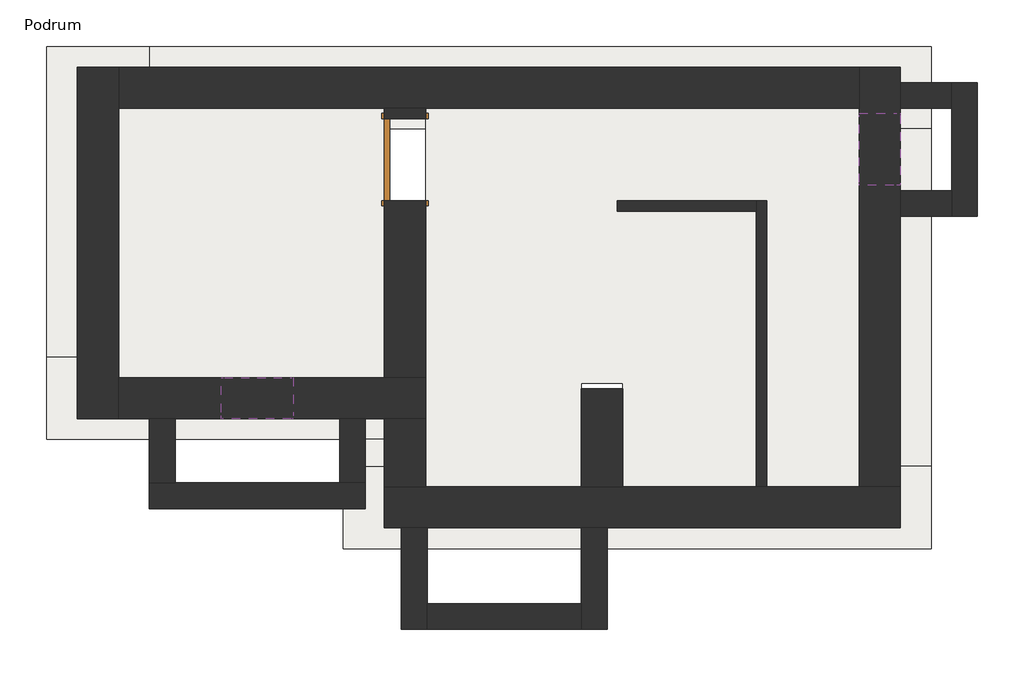
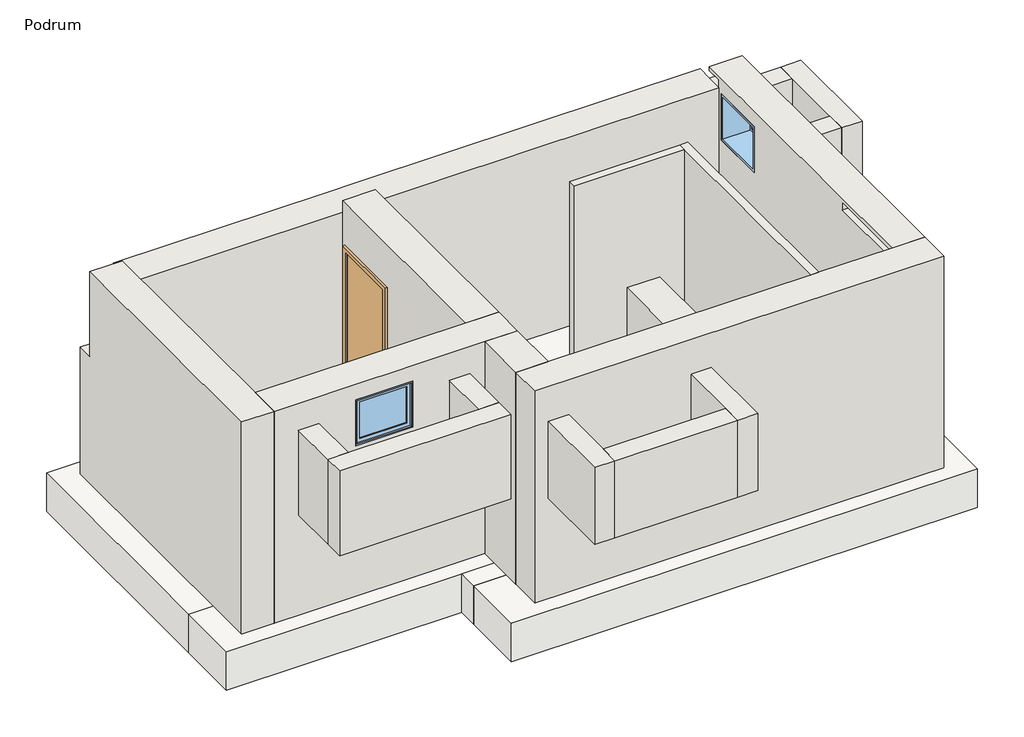
# One storey: 19 walls, 7 footings, 2 slabs, 2 windows, 1 door.
"""IFC4 building model written with IfcOpenShell, lengths in millimetres."""

import ifcopenshell
import ifcopenshell.guid

model = None  # the IFC model being written
_history = None  # IfcOwnerHistory: only IFC2X3 demands one
_inside = {}  # id of a spatial element -> (the spatial element, [elements in it])
_under = {}  # id of a project, library or spatial element -> (it, [spatial elements below it])
_declared = {}  # id of a project -> (the project, [libraries it declares])
_typed = {}  # id of a type object -> (the type object, [elements of that type])
_made_of = {}  # id of a material, layer set ... -> (it, [elements and type objects made of it])


def new_model(schema):
    """Start an empty IFC model of exactly this schema.

    Asked for "IFC4X3", IfcOpenShell would pick the latest addendum, in which some entities
    have other attributes; the version numbers below select the first issue.
    IFC2X3 requires an IfcOwnerHistory on every rooted entity: one is made here for all.
    """
    global model, _history
    if schema == "IFC4X3":
        model = ifcopenshell.file(schema_version=(4, 3, 0, 0))
    else:
        model = ifcopenshell.file(schema=schema)
    _inside.clear()
    _under.clear()
    _declared.clear()
    _typed.clear()
    _made_of.clear()
    _history = None
    if model.schema == "IFC2X3":
        org = make("IfcOrganization", Name="unknown")
        user = make(
            "IfcPersonAndOrganization",
            ThePerson=make("IfcPerson", FamilyName="unknown"),
            TheOrganization=org,
        )
        app = make(
            "IfcApplication",
            ApplicationDeveloper=org,
            Version="unknown",
            ApplicationFullName="unknown",
            ApplicationIdentifier="unknown",
        )
        _history = make(
            "IfcOwnerHistory",
            OwningUser=user,
            OwningApplication=app,
            ChangeAction="ADDED",
            CreationDate=0,
        )
    return model


def make(cls, **values):
    """One entity of the class cls with the attributes given. An attribute that is None is left unset."""
    return model.create_entity(
        cls, **{name: value for name, value in values.items() if value is not None}
    )


def rooted(cls, **values):
    """An entity with a GlobalId (a new one), such as an element, a storey or a relation."""
    return make(cls, GlobalId=ifcopenshell.guid.new(), OwnerHistory=_history, **values)


def si_unit(unit_type, name, prefix=None):
    """IfcSIUnit, for example si_unit("LENGTHUNIT", "METRE", prefix="MILLI")."""
    return make("IfcSIUnit", UnitType=unit_type, Prefix=prefix, Name=name)


def assignment(units):
    """IfcUnitAssignment: the units of a project."""
    return None if units is None else make("IfcUnitAssignment", Units=units)


def point(xyz):
    """IfcCartesianPoint."""
    return None if xyz is None else make("IfcCartesianPoint", Coordinates=xyz)


def direction(xyz):
    """IfcDirection."""
    return None if xyz is None else make("IfcDirection", DirectionRatios=xyz)


def frame(location, z_axis=None, x_axis=None):
    """IfcAxis2Placement3D, a coordinate frame: its origin and axes. An axis left out is left unset."""
    return make(
        "IfcAxis2Placement3D",
        Location=point(location),
        Axis=direction(z_axis),
        RefDirection=direction(x_axis),
    )


def origin():
    """The frame at (0, 0, 0) with its axes left unset."""
    return frame((0.0, 0.0, 0.0))


def origin_with_axes():
    """The frame at (0, 0, 0) with the z axis (0, 0, 1) and the x axis (1, 0, 0) written out."""
    return frame((0.0, 0.0, 0.0), z_axis=(0.0, 0.0, 1.0), x_axis=(1.0, 0.0, 0.0))


def place(relative_to, where):
    """IfcLocalPlacement: puts the frame where relative to a parent placement (None: the world)."""
    return make(
        "IfcLocalPlacement", PlacementRelTo=relative_to, RelativePlacement=where
    )


def context(
    kind, dimensions, precision=None, world=None, true_north=None, identifier=None
):
    """IfcGeometricRepresentationContext, for example the 3D "Model" context."""
    return make(
        "IfcGeometricRepresentationContext",
        ContextIdentifier=identifier,
        ContextType=kind,
        CoordinateSpaceDimension=dimensions,
        Precision=precision,
        WorldCoordinateSystem=world,
        TrueNorth=true_north,
    )


def project(units=None, contexts=None):
    """IfcProject with its units and contexts."""
    return rooted(
        "IfcProject",
        Name="project",
        RepresentationContexts=contexts,
        UnitsInContext=assignment(units),
    )


def spatial(cls, under=None, at=None, **own):
    """A site, building, storey or space (cls), placed at a placement, below another one or the project."""
    s = rooted(cls, ObjectPlacement=at, **own)
    if under is not None:
        _under.setdefault(under.id(), (under, []))[1].append(s)
    return s


def polyline(points):
    """IfcPolyline through the points."""
    return make("IfcPolyline", Points=[point(p) for p in points])


def outline(outer, holes=None, kind="AREA"):
    """IfcArbitraryClosedProfileDef: a profile drawn as a closed curve; with holes, ...WithVoids."""
    if holes is None:
        return make("IfcArbitraryClosedProfileDef", ProfileType=kind, OuterCurve=outer)
    return make(
        "IfcArbitraryProfileDefWithVoids",
        ProfileType=kind,
        OuterCurve=outer,
        InnerCurves=holes,
    )


def extrude(swept, where, along, depth):
    """IfcExtrudedAreaSolid: the profile swept, set in the frame where, extruded along a direction by depth."""
    return make(
        "IfcExtrudedAreaSolid",
        SweptArea=swept,
        Position=where,
        ExtrudedDirection=direction(along),
        Depth=depth,
    )


def faces_of(points, faces, orient=None, outer=None):
    """IfcFace entities. A face is a list of loops; a loop is a list of indices into points, from 0.

    orient and outer hold one flag for each loop. By default every Orientation is true, the
    first loop of a face is its IfcFaceOuterBound and the others are IfcFaceBound.
    """
    made = []
    for i, loops in enumerate(faces):
        bounds = []
        for j, loop in enumerate(loops):
            is_outer = j == 0 if outer is None else outer[i][j]
            bounds.append(
                make(
                    "IfcFaceOuterBound" if is_outer else "IfcFaceBound",
                    Bound=make("IfcPolyLoop", Polygon=[points[k] for k in loop]),
                    Orientation=True if orient is None else orient[i][j],
                )
            )
        made.append(make("IfcFace", Bounds=bounds))
    return made


def faceted_brep(points, faces, orient=None, outer=None, voids=None):
    """IfcFacetedBrep: a solid bounded by flat faces; with voids (closed shells), ...WithVoids."""
    shared = [point(p) for p in points]
    hull = make("IfcClosedShell", CfsFaces=faces_of(shared, faces, orient, outer))
    if voids is None:
        return make("IfcFacetedBrep", Outer=hull)
    return make(
        "IfcFacetedBrepWithVoids",
        Outer=hull,
        Voids=[
            make(cls, CfsFaces=faces_of(shared, fs, o, b)) for cls, fs, o, b in voids
        ],
    )


def shape(context_of_items, identifier, shape_type, items):
    """IfcShapeRepresentation: the items that make up one representation, for example the "Body"."""
    return make(
        "IfcShapeRepresentation",
        ContextOfItems=context_of_items,
        RepresentationIdentifier=identifier,
        RepresentationType=shape_type,
        Items=items,
    )


def source(mapping_origin, context_of_items, identifier, shape_type, items):
    """IfcRepresentationMap: a shape defined once, which mapped items show again and again."""
    return make(
        "IfcRepresentationMap",
        MappingOrigin=mapping_origin,
        MappedRepresentation=shape(context_of_items, identifier, shape_type, items),
    )


def transform(
    local_origin,
    x_axis=None,
    y_axis=None,
    z_axis=None,
    scale=None,
    scale2=None,
    scale3=None,
    uniform=True,
):
    """IfcCartesianTransformationOperator3D, or its non-uniform kind. x_axis, y_axis, z_axis: its Axis1, 2, 3."""
    if uniform:
        return make(
            "IfcCartesianTransformationOperator3D",
            Axis1=direction(x_axis),
            Axis2=direction(y_axis),
            LocalOrigin=point(local_origin),
            Scale=scale,
            Axis3=direction(z_axis),
        )
    return make(
        "IfcCartesianTransformationOperator3DnonUniform",
        Axis1=direction(x_axis),
        Axis2=direction(y_axis),
        LocalOrigin=point(local_origin),
        Scale=scale,
        Axis3=direction(z_axis),
        Scale2=scale2,
        Scale3=scale3,
    )


def mapped(mapping_source, mapping_target):
    """IfcMappedItem: shows the shape of a source again, moved by a transform."""
    return make(
        "IfcMappedItem", MappingSource=mapping_source, MappingTarget=mapping_target
    )


def made_of(thing, what):
    """Note that an element or type object is made of a material, layer set ...; save() writes the relation."""
    if what is not None:
        _made_of.setdefault(what.id(), (what, []))[1].append(thing)
    return thing


def element(
    cls,
    number,
    at=None,
    inside=None,
    cuts=None,
    type_object=None,
    material=None,
    context=None,
    identifier="Body",
    shape_type=None,
    held_by="IfcProductDefinitionShape",
    body=None,
    shapes=None,
    **own,
):
    """One element of the class cls, such as IfcWall. Its Tag is "e" and its number.

    at: its placement. inside: the storey or other place that contains it. cuts: it is an
    opening in that element (IfcRelVoidsElement). A single representation is given by context,
    identifier, shape_type and body (its items); several are given by shapes. held_by: the class
    of the entity that holds the representations. save() writes the other relations.
    """
    e = rooted(cls, Tag="e%d" % number, ObjectPlacement=at, **own)
    if body is not None:
        shapes = [shape(context, identifier, shape_type, body)]
    if shapes is not None:
        e.Representation = make(held_by, Representations=shapes)
    if inside is not None:
        _inside.setdefault(inside.id(), (inside, []))[1].append(e)
    if cuts is not None:
        rooted(
            "IfcRelVoidsElement", RelatingBuildingElement=cuts, RelatedOpeningElement=e
        )
    if type_object is not None:
        _typed.setdefault(type_object.id(), (type_object, []))[1].append(e)
    return made_of(e, material)


def aggregate(whole, parts):
    """IfcRelAggregates: a whole, such as a stair, and the parts it consists of."""
    return rooted("IfcRelAggregates", RelatingObject=whole, RelatedObjects=parts)


def save(model, path):
    """Write the relations noted so far, then the file.

    IfcRelAggregates (storeys below a building ...), IfcRelContainedInSpatialStructure (elements
    in a storey), IfcRelDefinesByType, IfcRelAssociatesMaterial and IfcRelDeclares: one each for
    every whole, place, type object, material and project.
    """
    for whole, parts in _under.values():
        aggregate(whole, parts)
    for where, things in _inside.values():
        rooted(
            "IfcRelContainedInSpatialStructure",
            RelatedElements=things,
            RelatingStructure=where,
        )
    for kind, things in _typed.values():
        rooted("IfcRelDefinesByType", RelatedObjects=things, RelatingType=kind)
    for what, things in _made_of.values():
        rooted("IfcRelAssociatesMaterial", RelatedObjects=things, RelatingMaterial=what)
    for by, libraries in _declared.values():
        rooted("IfcRelDeclares", RelatingContext=by, RelatedDefinitions=libraries)
    model.write(path)


def single_flush_80_x_200_528ca496(model_context):
    return source(origin(), model_context, "Body", "SweptSolid", [
        extrude(outline(polyline([(2050.0, -450.0), (0.0, -450.0), (0.0, -400.0), (2000.0, -400.0), (2000.0, 400.0), (0.0, 400.0), (0.0, 450.0), (2050.0, 450.0), (2050.0, -450.0)])), frame((0.0, 200.0, 0.0), z_axis=(0.0, 1.0, 0.0), x_axis=(0.0, 0.0, 1.0)), (0.0, 0.0, 1.0), 25.4),
        extrude(outline(polyline([(2050.0, 450.0), (2050.0, -450.0), (0.0, -450.0), (0.0, -400.0), (2000.0, -400.0), (2000.0, 400.0), (0.0, 400.0), (0.0, 450.0), (2050.0, 450.0)])), frame((0.0, -225.4, 0.0), z_axis=(0.0, 1.0, 0.0), x_axis=(0.0, 0.0, 1.0)), (0.0, 0.0, 1.0), 25.4),
        extrude(outline(polyline([(400.0, 150.0), (-400.0, 150.0), (-400.0, 200.0), (400.0, 200.0), (400.0, 150.0)])), origin_with_axes(), (0.0, 0.0, 1.0), 2000.0),
    ])


def fixed_60_x_70_e52bd949(model_context):
    return source(origin(), model_context, "Body", "SweptSolid", [
        extrude(outline(polyline([(248.4, -151.425), (248.4, -164.125), (-324.6, -164.125), (-324.6, -151.425), (248.4, -151.425)])), frame((0.0, 0.0, 763.5), z_axis=(0.0, 0.0, 1.0), x_axis=(1.0, 0.0, 0.0)), (0.0, 0.0, 1.0), 473.0),
        extrude(outline(polyline([(1280.95, -369.05), (719.05, -369.05), (719.05, 292.85), (1280.95, 292.85), (1280.95, -369.05)]), holes=[polyline([(1236.5, -324.6), (1236.5, 248.4), (763.5, 248.4), (763.5, -324.6), (1236.5, -324.6)])]), frame((0.0, -180.0, 0.0), z_axis=(0.0, 1.0, 0.0), x_axis=(0.0, 0.0, 1.0)), (0.0, 0.0, 1.0), 44.45),
        extrude(outline(polyline([(1300.0, -388.1), (700.0, -388.1), (700.0, 311.9), (1300.0, 311.9), (1300.0, -388.1)]), holes=[polyline([(1268.25, -356.35), (1268.25, 280.15), (731.75, 280.15), (731.75, -356.35), (1268.25, -356.35)])]), frame((0.0, -135.55, 0.0), z_axis=(0.0, 1.0, 0.0), x_axis=(0.0, 0.0, 1.0)), (0.0, 0.0, 1.0), 335.55),
        extrude(outline(polyline([(1300.0, 311.9), (1300.0, -388.1), (700.0, -388.1), (700.0, 311.9), (1300.0, 311.9)]), holes=[polyline([(1280.95, 292.85), (719.05, 292.85), (719.05, -369.05), (1280.95, -369.05), (1280.95, 292.85)])]), frame((0.0, -200.0, 0.0), z_axis=(0.0, 1.0, 0.0), x_axis=(0.0, 0.0, 1.0)), (0.0, 0.0, 1.0), 64.45),
    ])


def fixed_60_x_70_818b0f42(model_context):
    return source(origin(), model_context, "Body", "SweptSolid", [
        extrude(outline(polyline([(248.4, 151.425), (-324.6, 151.425), (-324.6, 164.125), (248.4, 164.125), (248.4, 151.425)])), frame((0.0, 0.0, 763.5), z_axis=(0.0, 0.0, 1.0), x_axis=(1.0, 0.0, 0.0)), (0.0, 0.0, 1.0), 473.0),
        extrude(outline(polyline([(1280.95, -369.05), (719.05, -369.05), (719.05, 292.85), (1280.95, 292.85), (1280.95, -369.05)]), holes=[polyline([(1236.5, -324.6), (1236.5, 248.4), (763.5, 248.4), (763.5, -324.6), (1236.5, -324.6)])]), frame((0.0, 135.55, 0.0), z_axis=(0.0, 1.0, 0.0), x_axis=(0.0, 0.0, 1.0)), (0.0, 0.0, 1.0), 44.45),
        extrude(outline(polyline([(1300.0, -388.1), (700.0, -388.1), (700.0, 311.9), (1300.0, 311.9), (1300.0, -388.1)]), holes=[polyline([(1268.25, -356.35), (1268.25, 280.15), (731.75, 280.15), (731.75, -356.35), (1268.25, -356.35)])]), frame((0.0, -200.0, 0.0), z_axis=(0.0, 1.0, 0.0), x_axis=(0.0, 0.0, 1.0)), (0.0, 0.0, 1.0), 335.55),
        extrude(outline(polyline([(1300.0, 311.9), (1300.0, -388.1), (700.0, -388.1), (700.0, 311.9), (1300.0, 311.9)]), holes=[polyline([(1280.95, 292.85), (719.05, 292.85), (719.05, -369.05), (1280.95, -369.05), (1280.95, 292.85)])]), frame((0.0, 135.55, 0.0), z_axis=(0.0, 1.0, 0.0), x_axis=(0.0, 0.0, 1.0)), (0.0, 0.0, 1.0), 64.45),
    ])


model = new_model("IFC4")

# Units and contexts
model_context = context("Model", 3, world=origin())
ifc_project = project(units=[si_unit("LENGTHUNIT", "METRE", prefix="MILLI")], contexts=[model_context])

# Site, building, storey
site = spatial("IfcSite", under=ifc_project)
building = spatial("IfcBuilding", under=site)
storey = spatial("IfcBuildingStorey", under=building, Name="Podrum", Elevation=-2600.0)

# Door
placement = place(None, origin())
single_flush_80_x_200_shape = single_flush_80_x_200_528ca496(model_context)
element("IfcDoor", 1, ObjectType="Single-Flush : 80 x 200", at=placement, inside=storey, context=model_context, shape_type="MappedRepresentation", body=[
    mapped(single_flush_80_x_200_shape, transform((-12993.5733339, 10418.3783101, -2600.0), x_axis=(0.0, 1.0, 0.0), y_axis=(-1.0, 0.0, 0.0), z_axis=(0.0, 0.0, 1.0))),
])

# Footings
element("IfcFooting", 2, ObjectType="Temelj 100", at=placement, inside=storey, context=model_context, shape_type="Brep", body=[
    faceted_brep([(-15478.5733339, 11518.3783101, -2750.0), (-16478.5733339, 11518.3783101, -2750.0), (-16478.5733339, 8498.3783101, -2750.0), (-15478.5733339, 8498.3783101, -2750.0), (-15478.5733339, 10718.3783101, -2750.0), (-15478.5733339, 11518.3783101, -3250.0), (-15478.5733339, 8498.3783101, -3250.0), (-15478.5733339, 10718.3783101, -3250.0), (-16478.5733339, 11518.3783101, -3250.0), (-16478.5733339, 8498.3783101, -3250.0)], [[[0, 1, 2, 3, 4]], [[5, 0, 4, 3, 6, 7]], [[8, 5, 7, 6, 9]], [[1, 8, 9, 2]], [[3, 2, 9, 6]], [[1, 0, 5, 8]]]),
])
element("IfcFooting", 3, ObjectType="Temelj 100", at=placement, inside=storey, context=model_context, shape_type="SweptSolid", body=[
    extrude(outline(polyline([(-7878.5733339, 7438.3783101), (-8878.5733339, 7438.3783101), (-8878.5733339, 10718.3783101), (-7878.5733339, 10718.3783101), (-7878.5733339, 7438.3783101)])), frame((0.0, 0.0, -3250.0), z_axis=(0.0, 0.0, 1.0), x_axis=(1.0, 0.0, 0.0)), (0.0, 0.0, 1.0), 500.0),
])
element("IfcFooting", 4, ObjectType="Temelj 120", at=placement, inside=storey, context=model_context, shape_type="SweptSolid", body=[
    extrude(outline(polyline([(-13593.5733339, 7698.3783101), (-12393.5733339, 7698.3783101), (-12393.5733339, 7438.3783101), (-13593.5733339, 7438.3783101), (-13593.5733339, 7698.3783101)])), frame((0.0, 0.0, -3250.0), z_axis=(0.0, 0.0, 1.0), x_axis=(1.0, 0.0, 0.0)), (0.0, 0.0, 1.0), 500.0),
])
element("IfcFooting", 5, ObjectType="Temelj 60", at=placement, inside=storey, context=model_context, shape_type="SweptSolid", body=[
    extrude(outline(polyline([(-11378.5733339, 8193.1783101), (-10778.5733339, 8193.1783101), (-10778.5733339, 7438.3783101), (-11378.5733339, 7438.3783101), (-11378.5733339, 8193.1783101)])), frame((0.0, 0.0, -3250.0), z_axis=(0.0, 0.0, 1.0), x_axis=(1.0, 0.0, 0.0)), (0.0, 0.0, 1.0), 500.0),
])
element("IfcFooting", 6, ObjectType="Temelj 80", at=placement, inside=storey, context=model_context, shape_type="Brep", body=[
    faceted_brep([(-16478.5733339, 7698.3783101, -2750.0), (-13593.5733339, 7698.3783101, -2750.0), (-12393.5733339, 7698.3783101, -2750.0), (-12393.5733339, 8498.3783101, -2750.0), (-15478.5733339, 8498.3783101, -2750.0), (-16478.5733339, 8498.3783101, -2750.0), (-16478.5733339, 8498.3783101, -3250.0), (-12393.5733339, 8498.3783101, -3250.0), (-15478.5733339, 8498.3783101, -3250.0), (-16478.5733339, 7698.3783101, -3250.0), (-12393.5733339, 7698.3783101, -3250.0), (-13593.5733339, 7698.3783101, -3250.0)], [[[0, 1, 2, 3, 4, 5]], [[6, 5, 4, 3, 7, 8]], [[9, 6, 8, 7, 10, 11]], [[0, 9, 11, 10, 2, 1]], [[0, 5, 6, 9]], [[3, 2, 10, 7]]]),
])
element("IfcFooting", 7, ObjectType="Temelj 80", at=placement, inside=storey, context=model_context, shape_type="Brep", body=[
    faceted_brep([(-7878.5733339, 10718.3783101, -2750.0), (-7878.5733339, 11518.3783101, -2750.0), (-15478.5733339, 11518.3783101, -2750.0), (-15478.5733339, 10718.3783101, -2750.0), (-8878.5733339, 10718.3783101, -2750.0), (-7878.5733339, 11518.3783101, -3250.0), (-15478.5733339, 11518.3783101, -3250.0), (-7878.5733339, 10718.3783101, -3250.0), (-8878.5733339, 10718.3783101, -3250.0), (-15478.5733339, 10718.3783101, -3250.0)], [[[0, 1, 2, 3, 4]], [[1, 5, 6, 2]], [[5, 7, 8, 9, 6]], [[7, 0, 4, 3, 9, 8]], [[1, 0, 7, 5]], [[3, 2, 6, 9]]]),
])
element("IfcFooting", 8, ObjectType="Temelj 80", at=placement, inside=storey, context=model_context, shape_type="Brep", body=[
    faceted_brep([(-7878.5733339, 7438.3783101, -2750.0), (-8878.5733339, 7438.3783101, -2750.0), (-10778.5733339, 7438.3783101, -2750.0), (-11378.5733339, 7438.3783101, -2750.0), (-12393.5733339, 7438.3783101, -2750.0), (-13593.5733339, 7438.3783101, -2750.0), (-13593.5733339, 6638.3783101, -2750.0), (-7878.5733339, 6638.3783101, -2750.0), (-7878.5733339, 6638.3783101, -3250.0), (-13593.5733339, 6638.3783101, -3250.0), (-7878.5733339, 7438.3783101, -3250.0), (-13593.5733339, 7438.3783101, -3250.0), (-12393.5733339, 7438.3783101, -3250.0), (-11378.5733339, 7438.3783101, -3250.0), (-10778.5733339, 7438.3783101, -3250.0), (-8878.5733339, 7438.3783101, -3250.0)], [[[0, 1, 2, 3, 4, 5, 6, 7]], [[8, 7, 6, 9]], [[10, 8, 9, 11, 12, 13, 14, 15]], [[0, 10, 15, 14, 13, 12, 11, 5, 4, 3, 2, 1]], [[6, 5, 11, 9]], [[0, 7, 8, 10]]]),
])

# Slabs
element("IfcSlab", 9, at=placement, inside=storey, context=model_context, shape_type="SweptSolid", body=[
    extrude(outline(polyline([(-13179.4311982, 10918.3783101), (-13179.4311982, 8298.3783101), (-15778.5733339, 8298.3783101), (-15778.5733339, 10918.3783101), (-13179.4311982, 10918.3783101)])), frame((0.0, 0.0, -2750.0), z_axis=(0.0, 0.0, 1.0), x_axis=(1.0, 0.0, 0.0)), (0.0, 0.0, 1.0), 150.0),
])
element("IfcSlab", 10, at=placement, inside=storey, context=model_context, shape_type="SweptSolid", body=[
    extrude(outline(polyline([(-8578.5733339, 10918.3783101), (-8578.5733339, 7238.3783101), (-10878.5733339, 7238.3783101), (-10878.5733339, 8243.1783101), (-11278.5733339, 8243.1783101), (-11278.5733339, 7238.3783101), (-12793.5733339, 7238.3783101), (-12793.5733339, 10918.3783101), (-8578.5733339, 10918.3783101)])), frame((0.0, 0.0, -2700.0), z_axis=(0.0, 0.0, 1.0), x_axis=(1.0, 0.0, 0.0)), (0.0, 0.0, 1.0), 100.0),
])

# Walls
element("IfcWall", 11, at=placement, inside=storey, context=model_context, shape_type="Brep", body=[
    faceted_brep([(-8178.5733339, 7238.3783101, -2750.0), (-8578.5733339, 7238.3783101, -2750.0), (-10878.5733339, 7238.3783101, -2750.0), (-11278.5733339, 7238.3783101, -2750.0), (-12793.5733339, 7238.3783101, -2750.0), (-13193.5733339, 7238.3783101, -2750.0), (-13193.5733339, 7238.3783101, 0.0), (-12793.5733339, 7238.3783101, 0.0), (-9578.5733339, 7238.3783101, 0.0), (-9478.5733339, 7238.3783101, 0.0), (-8578.5733339, 7238.3783101, 0.0), (-8178.5733339, 7238.3783101, 0.0), (-12793.5733339, 7238.3783101, -150.0), (-11278.5733339, 7238.3783101, -150.0), (-10878.5733339, 7238.3783101, -150.0), (-8578.5733339, 7238.3783101, -150.0), (-8378.5733339, 7238.3783101, -150.0), (-8378.5733339, 7238.3783101, -50.0), (-8578.5733339, 7238.3783101, -50.0), (-12793.5733339, 7238.3783101, -50.0), (-13193.5733339, 6838.3783101, -2750.0), (-8178.5733339, 6838.3783101, -2750.0), (-8178.5733339, 6838.3783101, 0.0), (-13193.5733339, 6838.3783101, 0.0), (-12793.5733339, 6988.3783101, -150.0), (-8378.5733339, 6988.3783101, -150.0), (-8378.5733339, 6988.3783101, -50.0), (-12793.5733339, 6988.3783101, -50.0)], [[[0, 1, 2, 3, 4, 5, 6, 7, 8, 9, 10, 11], [12, 13, 14, 15, 16, 17, 18, 19]], [[20, 21, 22, 23]], [[5, 4, 3, 2, 1, 0, 21, 20]], [[11, 10, 9, 8, 7, 6, 23, 22]], [[0, 11, 22, 21]], [[5, 20, 23, 6]], [[24, 25, 16, 15, 14, 13, 12]], [[26, 27, 19, 18, 17]], [[25, 24, 27, 26]], [[25, 26, 17, 16]], [[27, 24, 12, 19]]]),
])
element("IfcWall", 12, at=placement, inside=storey, context=model_context, shape_type="SweptSolid", body=[
    extrude(outline(polyline([(-15478.5733339, 7276.5783101), (-15478.5733339, 7898.3783101), (-15228.5733339, 7898.3783101), (-15228.5733339, 7276.5783101), (-15478.5733339, 7276.5783101)])), frame((0.0, 0.0, -1450.0), z_axis=(0.0, 0.0, 1.0), x_axis=(1.0, 0.0, 0.0)), (0.0, 0.0, 1.0), 1100.0),
])
element("IfcWall", 13, at=placement, inside=storey, context=model_context, shape_type="Brep", body=[
    faceted_brep([(-15478.5733339, 7026.5783101, -1450.0), (-13378.5733339, 7026.5783101, -1450.0), (-13378.5733339, 7026.5783101, -350.0), (-15478.5733339, 7026.5783101, -350.0), (-15478.5733339, 7276.5783101, -1450.0), (-15478.5733339, 7276.5783101, -350.0), (-15228.5733339, 7276.5783101, -350.0), (-13628.5733339, 7276.5783101, -350.0), (-13378.5733339, 7276.5783101, -350.0), (-13378.5733339, 7276.5783101, -1450.0), (-13628.5733339, 7276.5783101, -1450.0), (-15228.5733339, 7276.5783101, -1450.0)], [[[0, 1, 2, 3]], [[4, 5, 6, 7, 8, 9, 10, 11]], [[1, 0, 4, 11, 10, 9]], [[3, 2, 8, 7, 6, 5]], [[2, 1, 9, 8]], [[0, 3, 5, 4]]]),
])
element("IfcWall", 14, at=placement, inside=storey, context=model_context, shape_type="SweptSolid", body=[
    extrude(outline(polyline([(-13378.5733339, 7898.3783101), (-13378.5733339, 7276.5783101), (-13628.5733339, 7276.5783101), (-13628.5733339, 7898.3783101), (-13378.5733339, 7898.3783101)])), frame((0.0, 0.0, -1450.0), z_axis=(0.0, 0.0, 1.0), x_axis=(1.0, 0.0, 0.0)), (0.0, 0.0, 1.0), 1100.0),
])
element("IfcWall", 15, at=placement, inside=storey, context=model_context, shape_type="Brep", body=[
    faceted_brep([(-15778.5733339, 10918.3783101, -150.0), (-15778.5733339, 10918.3783101, -2750.0), (-8578.5733339, 10918.3783101, -2750.0), (-8578.5733339, 10918.3783101, -150.0), (-10878.5733339, 10918.3783101, -150.0), (-15778.5733339, 11318.3783101, -2750.0), (-15778.5733339, 11318.3783101, -1100.0), (-15778.5733339, 11318.3783101, -150.0), (-13178.5733339, 11318.3783101, -150.0), (-12778.5733339, 11318.3783101, -150.0), (-8578.5733339, 11318.3783101, -150.0), (-8578.5733339, 11318.3783101, -1100.0), (-8578.5733339, 11318.3783101, -2750.0), (-15778.5733339, 11118.3783101, -150.0), (-8578.5733339, 11118.3783101, -150.0)], [[[0, 1, 2, 3, 4]], [[5, 6, 7, 8, 9, 10, 11, 12]], [[2, 1, 5, 12]], [[0, 13, 7, 6, 5, 1]], [[0, 4, 3, 14, 10, 9, 8, 7, 13]], [[2, 12, 11, 10, 14, 3]]]),
])
element("IfcWall", 16, at=placement, inside=storey, context=model_context, shape_type="Brep", body=[
    faceted_brep([(-11278.5733339, 6838.3783101, -1450.0), (-11278.5733339, 6101.5783101, -1450.0), (-11278.5733339, 5851.5783101, -1450.0), (-11278.5733339, 5851.5783101, -450.0), (-11278.5733339, 6101.5783101, -450.0), (-11278.5733339, 6838.3783101, -450.0), (-11028.5733339, 6838.3783101, -1450.0), (-11028.5733339, 6838.3783101, -450.0), (-11028.5733339, 5851.5783101, -450.0), (-11028.5733339, 5851.5783101, -1450.0)], [[[0, 1, 2, 3, 4, 5]], [[6, 7, 8, 9]], [[2, 1, 0, 6, 9]], [[5, 4, 3, 8, 7]], [[0, 5, 7, 6]], [[3, 2, 9, 8]]]),
])
element("IfcWall", 17, at=placement, inside=storey, context=model_context, shape_type="SweptSolid", body=[
    extrude(outline(polyline([(-12778.5733339, 6101.5783101), (-11278.5733339, 6101.5783101), (-11278.5733339, 5851.5783101), (-12778.5733339, 5851.5783101), (-12778.5733339, 6101.5783101)])), frame((0.0, 0.0, -1450.0), z_axis=(0.0, 0.0, 1.0), x_axis=(1.0, 0.0, 0.0)), (0.0, 0.0, 1.0), 1000.0),
])
element("IfcWall", 18, at=placement, inside=storey, context=model_context, shape_type="Brep", body=[
    faceted_brep([(-12778.5733339, 5851.5783101, -1450.0), (-12778.5733339, 6101.5783101, -1450.0), (-12778.5733339, 6838.3783101, -1450.0), (-12778.5733339, 6838.3783101, -450.0), (-12778.5733339, 6101.5783101, -450.0), (-12778.5733339, 5851.5783101, -450.0), (-13028.5733339, 5851.5783101, -1450.0), (-13028.5733339, 5851.5783101, -450.0), (-13028.5733339, 6838.3783101, -450.0), (-13028.5733339, 6838.3783101, -1450.0)], [[[0, 1, 2, 3, 4, 5]], [[6, 7, 8, 9]], [[2, 1, 0, 6, 9]], [[5, 4, 3, 8, 7]], [[0, 5, 7, 6]], [[3, 2, 9, 8]]]),
])
element("IfcWall", 19, at=placement, inside=storey, context=model_context, shape_type="Brep", body=[
    faceted_brep([(-16178.5733339, 11318.3783101, -2750.0), (-16178.5733339, 7898.3783101, -2750.0), (-16178.5733339, 7898.3783101, 0.0), (-16178.5733339, 11118.3783101, 0.0), (-16178.5733339, 11118.3783101, -1100.0), (-16178.5733339, 11318.3783101, -1100.0), (-15778.5733339, 7898.3783101, -2750.0), (-15778.5733339, 8298.3783101, -2750.0), (-15778.5733339, 10918.3783101, -2750.0), (-15778.5733339, 11318.3783101, -2750.0), (-15778.5733339, 11318.3783101, -1100.0), (-15778.5733339, 11118.3783101, -1100.0), (-15778.5733339, 11118.3783101, -150.0), (-15778.5733339, 10918.3783101, -150.0), (-15778.5733339, 8298.3783101, -150.0), (-15778.5733339, 8048.3783101, -150.0), (-15778.5733339, 8048.3783101, -50.0), (-15778.5733339, 8298.3783101, -50.0), (-15778.5733339, 11118.3783101, -50.0), (-15778.5733339, 11118.3783101, 0.0), (-15778.5733339, 8298.3783101, 0.0), (-15778.5733339, 7898.3783101, 0.0), (-16038.5733339, 11118.3783101, -150.0), (-16038.5733339, 8048.3783101, -150.0), (-16038.5733339, 8048.3783101, -50.0), (-16038.5733339, 11118.3783101, -50.0)], [[[0, 1, 2, 3, 4, 5]], [[6, 7, 8, 9, 10, 11, 12, 13, 14, 15, 16, 17, 18, 19, 20, 21]], [[1, 0, 9, 8, 7, 6]], [[3, 2, 21, 20, 19]], [[2, 1, 6, 21]], [[4, 11, 10, 5]], [[9, 0, 5, 10]], [[22, 23, 15, 14, 13, 12]], [[16, 24, 25, 18, 17]], [[23, 24, 16, 15]], [[24, 23, 22, 25]], [[3, 19, 18, 25, 22, 12, 11, 4]]]),
])
element("IfcWall", 20, at=placement, inside=storey, context=model_context, shape_type="Brep", body=[
    faceted_brep([(-15778.5733339, 7898.3783101, -2750.0), (-13193.5733339, 7898.3783101, -2750.0), (-12793.5733339, 7898.3783101, -2750.0), (-12793.5733339, 7898.3783101, 0.0), (-13193.5733339, 7898.3783101, 0.0), (-15778.5733339, 7898.3783101, 0.0), (-14778.5733339, 7898.3783101, -800.0), (-14778.5733339, 7898.3783101, -200.0), (-14078.5733339, 7898.3783101, -200.0), (-14078.5733339, 7898.3783101, -800.0), (-12793.5733339, 8298.3783101, -2750.0), (-15778.5733339, 8298.3783101, -2750.0), (-15778.5733339, 8298.3783101, -150.0), (-12793.5733339, 8298.3783101, -150.0), (-12793.5733339, 8298.3783101, -2600.0), (-14778.5733339, 8298.3783101, -200.0), (-14778.5733339, 8298.3783101, -800.0), (-14078.5733339, 8298.3783101, -800.0), (-14078.5733339, 8298.3783101, -200.0), (-15778.5733339, 8298.3783101, 0.0), (-13193.5733339, 8298.3783101, 0.0), (-12793.5733339, 8298.3783101, 0.0), (-12793.5733339, 8298.3783101, -50.0), (-15778.5733339, 8298.3783101, -50.0), (-15778.5733339, 8048.3783101, -50.0), (-15778.5733339, 8048.3783101, -150.0), (-12793.5733339, 8048.3783101, -150.0), (-12793.5733339, 8048.3783101, -50.0)], [[[0, 1, 2, 3, 4, 5], [6, 7, 8, 9]], [[10, 11, 12, 13, 14], [15, 16, 17, 18]], [[19, 20, 21, 22, 23]], [[2, 1, 0, 11, 10]], [[5, 4, 3, 21, 20, 19]], [[0, 5, 19, 23, 24, 25, 12, 11]], [[25, 26, 13, 12]], [[27, 24, 23, 22]], [[26, 25, 24, 27]], [[2, 10, 14, 13, 26, 27, 22, 21, 3]], [[16, 15, 7, 6]], [[17, 16, 6, 9]], [[18, 17, 9, 8]], [[15, 18, 8, 7]]]),
])
element("IfcWall", 21, at=placement, inside=storey, context=model_context, shape_type="SweptSolid", body=[
    extrude(outline(polyline([(-13193.5733339, 7238.3783101), (-13193.5733339, 7898.3783101), (-12793.5733339, 7898.3783101), (-12793.5733339, 7238.3783101), (-13193.5733339, 7238.3783101)])), frame((0.0, 0.0, -2750.0), z_axis=(0.0, 0.0, 1.0), x_axis=(1.0, 0.0, 0.0)), (0.0, 0.0, 1.0), 2750.0),
])
element("IfcWall", 22, at=placement, inside=storey, context=model_context, shape_type="Brep", body=[
    faceted_brep([(-8578.5733339, 11318.3783101, -2750.0), (-8578.5733339, 10918.3783101, -2750.0), (-8578.5733339, 7238.3783101, -2750.0), (-8578.5733339, 7238.3783101, -150.0), (-8578.5733339, 8298.3783101, -150.0), (-8578.5733339, 8298.3783101, -50.0), (-8578.5733339, 7238.3783101, -50.0), (-8578.5733339, 7238.3783101, 0.0), (-8578.5733339, 11118.3783101, 0.0), (-8578.5733339, 11118.3783101, -50.0), (-8578.5733339, 10918.3783101, -50.0), (-8578.5733339, 10918.3783101, -150.0), (-8578.5733339, 11118.3783101, -150.0), (-8578.5733339, 11118.3783101, -1100.0), (-8578.5733339, 11318.3783101, -1100.0), (-8578.5733339, 10868.3783101, -800.0), (-8578.5733339, 10868.3783101, -200.0), (-8578.5733339, 10168.3783101, -200.0), (-8578.5733339, 10168.3783101, -800.0), (-8178.5733339, 7238.3783101, -2750.0), (-8178.5733339, 11318.3783101, -2750.0), (-8178.5733339, 11318.3783101, -1100.0), (-8178.5733339, 11118.3783101, -1100.0), (-8178.5733339, 11118.3783101, 0.0), (-8178.5733339, 7238.3783101, 0.0), (-8178.5733339, 10868.3783101, -200.0), (-8178.5733339, 10868.3783101, -800.0), (-8178.5733339, 10168.3783101, -800.0), (-8178.5733339, 10168.3783101, -200.0), (-8378.5733339, 7238.3783101, -50.0), (-8378.5733339, 7238.3783101, -150.0), (-8328.5733339, 11118.3783101, -150.0), (-8328.5733339, 11118.3783101, -50.0), (-8328.5733339, 10918.3783101, -150.0), (-8378.5733339, 8298.3783101, -150.0), (-8328.5733339, 10918.3783101, -50.0), (-8378.5733339, 8298.3783101, -50.0)], [[[0, 1, 2, 3, 4, 5, 6, 7, 8, 9, 10, 11, 12, 13, 14], [15, 16, 17, 18]], [[19, 20, 21, 22, 23, 24], [25, 26, 27, 28]], [[2, 1, 0, 20, 19]], [[8, 7, 24, 23]], [[2, 19, 24, 7, 6, 29, 30, 3]], [[13, 22, 21, 14]], [[8, 23, 22, 13, 12, 31, 32, 9]], [[0, 14, 21, 20]], [[11, 33, 31, 12]], [[30, 34, 4, 3]], [[32, 35, 10, 9]], [[5, 36, 29, 6]], [[33, 35, 32, 31]], [[35, 33, 11, 10]], [[34, 36, 5, 4]], [[36, 34, 30, 29]], [[26, 25, 16, 15]], [[27, 26, 15, 18]], [[28, 27, 18, 17]], [[25, 28, 17, 16]]]),
])
element("IfcWall", 23, at=placement, inside=storey, context=model_context, shape_type="SweptSolid", body=[
    extrude(outline(polyline([(-11278.5733339, 7238.3783101), (-11278.5733339, 8193.1783101), (-10878.5733339, 8193.1783101), (-10878.5733339, 7238.3783101), (-11278.5733339, 7238.3783101)])), frame((0.0, 0.0, -2750.0), z_axis=(0.0, 0.0, 1.0), x_axis=(1.0, 0.0, 0.0)), (0.0, 0.0, 1.0), 2600.0),
])
element("IfcWall", 24, at=placement, inside=storey, context=model_context, shape_type="SweptSolid", body=[
    extrude(outline(polyline([(-7678.5733339, 9868.3783101), (-8178.5733339, 9868.3783101), (-8178.5733339, 10118.3783101), (-7678.5733339, 10118.3783101), (-7678.5733339, 9868.3783101)])), frame((0.0, 0.0, -1450.0), z_axis=(0.0, 0.0, 1.0), x_axis=(1.0, 0.0, 0.0)), (0.0, 0.0, 1.0), 1100.0),
])
element("IfcWall", 25, at=placement, inside=storey, context=model_context, shape_type="Brep", body=[
    faceted_brep([(-7428.5733339, 9868.3783101, -1450.0), (-7428.5733339, 11168.3783101, -1450.0), (-7428.5733339, 11168.3783101, -350.0), (-7428.5733339, 9868.3783101, -350.0), (-7678.5733339, 9868.3783101, -1450.0), (-7678.5733339, 9868.3783101, -350.0), (-7678.5733339, 10118.3783101, -350.0), (-7678.5733339, 10918.3783101, -350.0), (-7678.5733339, 11168.3783101, -350.0), (-7678.5733339, 11168.3783101, -1450.0), (-7678.5733339, 10918.3783101, -1450.0), (-7678.5733339, 10118.3783101, -1450.0)], [[[0, 1, 2, 3]], [[4, 5, 6, 7, 8, 9, 10, 11]], [[1, 0, 4, 11, 10, 9]], [[3, 2, 8, 7, 6, 5]], [[0, 3, 5, 4]], [[2, 1, 9, 8]]]),
])
element("IfcWall", 26, at=placement, inside=storey, context=model_context, shape_type="SweptSolid", body=[
    extrude(outline(polyline([(-7678.5733339, 10918.3783101), (-8178.5733339, 10918.3783101), (-8178.5733339, 11168.3783101), (-7678.5733339, 11168.3783101), (-7678.5733339, 10918.3783101)])), frame((0.0, 0.0, -1450.0), z_axis=(0.0, 0.0, 1.0), x_axis=(1.0, 0.0, 0.0)), (0.0, 0.0, 1.0), 1100.0),
])
element("IfcWall", 27, at=placement, inside=storey, context=model_context, shape_type="Brep", body=[
    faceted_brep([(-12793.5733339, 10818.3783101, -600.0), (-12793.5733339, 10818.3783101, -2600.0), (-12793.5733339, 10918.3783101, -2600.0), (-12793.5733339, 10918.3783101, 0.0), (-12793.5733339, 8298.3783101, 0.0), (-12793.5733339, 8298.3783101, -50.0), (-12793.5733339, 8298.3783101, -150.0), (-12793.5733339, 8298.3783101, -2600.0), (-12793.5733339, 10018.3783101, -2600.0), (-12793.5733339, 10018.3783101, -600.0), (-13193.5733339, 10918.3783101, -2600.0), (-13193.5733339, 10818.3783101, -2600.0), (-13193.5733339, 10818.3783101, -600.0), (-13193.5733339, 10018.3783101, -600.0), (-13193.5733339, 10018.3783101, -2600.0), (-13193.5733339, 8298.3783101, -2600.0), (-13193.5733339, 8298.3783101, 0.0), (-13193.5733339, 10918.3783101, 0.0)], [[[0, 1, 2, 3, 4, 5, 6, 7, 8, 9]], [[10, 11, 12, 13, 14, 15, 16, 17]], [[8, 7, 15, 14]], [[2, 1, 11, 10]], [[4, 3, 17, 16]], [[7, 6, 5, 4, 16, 15]], [[3, 2, 10, 17]], [[12, 11, 1, 0]], [[13, 12, 0, 9]], [[14, 13, 9, 8]]]),
])
element("IfcWall", 28, at=placement, inside=storey, context=model_context, shape_type="Brep", body=[
    faceted_brep([(-9578.5733339, 10018.3783101, -2600.0), (-9578.5733339, 9918.3783101, -2600.0), (-9578.5733339, 7238.3783101, -2600.0), (-9578.5733339, 7238.3783101, 0.0), (-9578.5733339, 9918.3783101, 0.0), (-9578.5733339, 10018.3783101, 0.0), (-9478.5733339, 10018.3783101, -2600.0), (-9478.5733339, 10018.3783101, 0.0), (-9478.5733339, 7238.3783101, 0.0), (-9478.5733339, 7238.3783101, -2600.0)], [[[0, 1, 2, 3, 4, 5]], [[6, 7, 8, 9]], [[2, 1, 0, 6, 9]], [[5, 4, 3, 8, 7]], [[3, 2, 9, 8]], [[0, 5, 7, 6]]]),
])
element("IfcWall", 29, at=placement, inside=storey, context=model_context, shape_type="SweptSolid", body=[
    extrude(outline(polyline([(-9578.5733339, 9918.3783101), (-10928.5733339, 9918.3783101), (-10928.5733339, 10018.3783101), (-9578.5733339, 10018.3783101), (-9578.5733339, 9918.3783101)])), frame((0.0, 0.0, -2600.0), z_axis=(0.0, 0.0, 1.0), x_axis=(1.0, 0.0, 0.0)), (0.0, 0.0, 1.0), 2600.0),
])

# Windows
fixed_60_x_70_shape = fixed_60_x_70_e52bd949(model_context)
element("IfcWindow", 30, ObjectType="Fixed : 60 x 70", at=placement, inside=storey, context=model_context, shape_type="MappedRepresentation", body=[
    mapped(fixed_60_x_70_shape, transform((-8378.5733339, 10556.4783101, -1500.0), x_axis=(0.0, 1.0, 0.0), y_axis=(-1.0, 0.0, 0.0), z_axis=(0.0, 0.0, 1.0))),
])
fixed_60_x_70_2_shape = fixed_60_x_70_818b0f42(model_context)
element("IfcWindow", 31, ObjectType="Fixed : 60 x 70", at=placement, inside=storey, context=model_context, shape_type="MappedRepresentation", body=[
    mapped(fixed_60_x_70_2_shape, transform((-14466.6733339, 8098.3783101, -1500.0), x_axis=(-1.0, 0.0, 0.0), y_axis=(0.0, -1.0, 0.0), z_axis=(0.0, 0.0, 1.0))),
])

save(model, "model.ifc")
